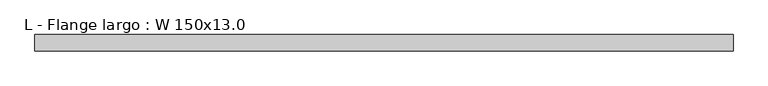
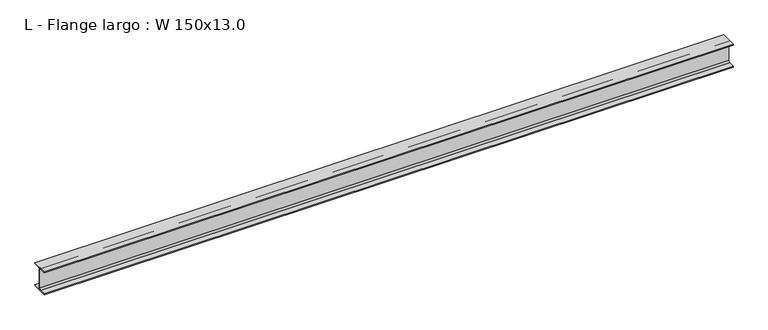
"""IFC4 building model written with IfcOpenShell, lengths in millimetres: beam geometry, L - Flange largo : W 150x13.0."""

from ifc_helpers import new_model, si_unit, point, frame, frame_2d, origin, place, context, project, spatial, polyline, circle_curve, trimmed, segment, composite_curve, outline, extrude, source, transform, mapped, element, save


def l_flange_largo_w_150x13_0_54c734ab(model_context):
    return source(origin(), model_context, "Body", "SweptSolid", [
        extrude(outline(composite_curve([segment(polyline([(50.0, -69.1), (50.0, -74.0), (-50.0, -74.0), (-50.0, -69.1), (-12.15, -69.1)]), True, "CONTINUOUS"), segment(trimmed(circle_curve(frame_2d((-12.15, -59.1)), 10.0), [point((-12.15, -69.1))], [point((-2.15, -59.1))], True, "CARTESIAN"), True, "CONTINUOUS"), segment(polyline([(-2.15, -59.1), (-2.15, 59.1)]), True, "CONTINUOUS"), segment(trimmed(circle_curve(frame_2d((-12.15, 59.1)), 10.0), [point((-2.15, 59.1))], [point((-12.15, 69.1))], True, "CARTESIAN"), True, "CONTINUOUS"), segment(polyline([(-12.15, 69.1), (-50.0, 69.1), (-50.0, 74.0), (50.0, 74.0), (50.0, 69.1), (12.15, 69.1)]), True, "CONTINUOUS"), segment(trimmed(circle_curve(frame_2d((12.15, 59.1)), 10.0), [point((12.15, 69.1))], [point((2.15, 59.1))], True, "CARTESIAN"), True, "CONTINUOUS"), segment(polyline([(2.15, 59.1), (2.15, -59.1)]), True, "CONTINUOUS"), segment(trimmed(circle_curve(frame_2d((12.15, -59.1)), 10.0), [point((2.15, -59.1))], [point((12.15, -69.1))], True, "CARTESIAN"), True, "CONTINUOUS"), segment(polyline([(12.15, -69.1), (50.0, -69.1)]), True, "CONTINUOUS")], self_intersect=False)), frame((-2114.5, 0.0, 0.0), z_axis=(1.0, 0.0, 0.0), x_axis=(0.0, 1.0, 0.0)), (0.0, 0.0, 1.0), 4229.0),
    ])


if __name__ == "__main__":
    model = new_model("IFC4")
    model_context = context("Model", 3, world=origin())
    ifc_project = project(units=[si_unit("LENGTHUNIT", "METRE", prefix="MILLI")], contexts=[model_context])
    site = spatial("IfcSite", under=ifc_project)
    building = spatial("IfcBuilding", under=site)
    placement = place(None, origin())
    l_flange_largo_w_150x13_0_shape = l_flange_largo_w_150x13_0_54c734ab(model_context)
    element("IfcBeam", 1, ObjectType="L - Flange largo : W 150x13.0", at=placement, inside=building, context=model_context, shape_type="MappedRepresentation", body=[
        mapped(l_flange_largo_w_150x13_0_shape, transform((0.0, 0.0, 0.0), x_axis=(1.0, 0.0, 0.0), y_axis=(0.0, 1.0, 0.0), z_axis=(0.0, 0.0, 1.0))),
    ])
    save(model, "model.ifc")
